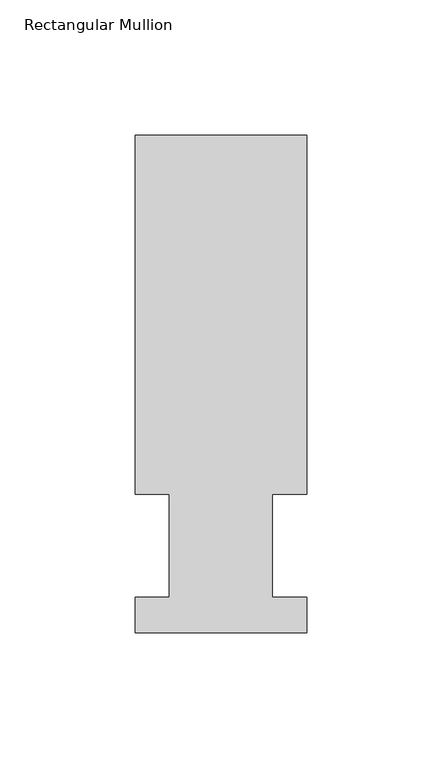
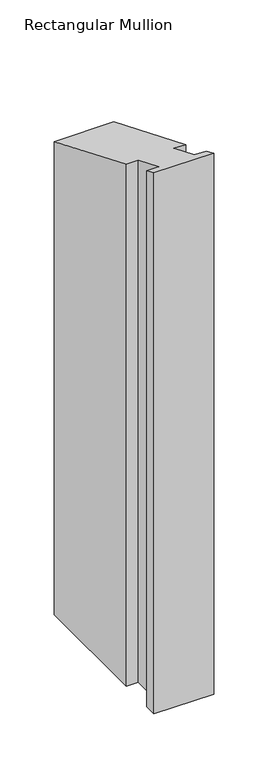
"""IFC4 building model written with IfcOpenShell, lengths in millimetres: member geometry, Rectangular Mullion."""

from ifc_helpers import new_model, si_unit, origin, place, context, project, spatial, faceted_brep, source, transform, mapped, element, save


def rectangular_mullion_988c7fde(model_context):
    return source(origin(), model_context, "Body", "Brep", [
        faceted_brep([(0.0, 184.2396937, -609.587333), (0.0, 51.2960938, -609.587333), (-12.6873001, 51.2960938, -609.587333), (-12.6873001, 13.1960938, -609.587333), (0.0, 13.1960938, -609.587333), (0.0, 0.0134938, -609.587333), (-63.5000001, 0.0134938, -609.587333), (-63.5000001, 13.1960938, -609.587333), (-50.8127001, 13.1960938, -609.587333), (-50.8127001, 51.2960938, -609.587333), (-63.5127, 51.2960938, -609.587333), (-63.5127, 184.2396938, -609.587333), (0.0, 184.2396937, -76.3145799), (0.0, 51.2960938, -21.2475377), (-12.6873001, 51.2960938, -21.2475377), (-12.6873001, 13.1960938, -5.466001), (0.0, 13.1960938, -5.466001), (0.0, 0.0134938, -0.0055893), (-63.5000001, 0.0134938, -0.0055893), (-63.5000001, 13.1960938, -5.466001), (-50.8127001, 13.1960938, -5.466001), (-50.8127001, 51.2960938, -21.2475377), (-63.5127, 51.2960938, -21.2475377), (-63.5127, 184.2396938, -76.3145799)], [[[0, 1, 2, 3, 4, 5, 6, 7, 8, 9, 10, 11]], [[12, 13, 1, 0]], [[13, 14, 2, 1]], [[14, 15, 3, 2]], [[15, 16, 4, 3]], [[16, 17, 5, 4]], [[17, 18, 6, 5]], [[18, 19, 7, 6]], [[19, 20, 8, 7]], [[20, 21, 9, 8]], [[21, 22, 10, 9]], [[22, 23, 11, 10]], [[23, 12, 0, 11]], [[12, 23, 22, 21, 20, 19, 18, 17, 16, 15, 14, 13]]]),
    ])


if __name__ == "__main__":
    model = new_model("IFC4")
    model_context = context("Model", 3, world=origin())
    ifc_project = project(units=[si_unit("LENGTHUNIT", "METRE", prefix="MILLI")], contexts=[model_context])
    site = spatial("IfcSite", under=ifc_project)
    building = spatial("IfcBuilding", under=site)
    placement = place(None, origin())
    rectangular_mullion_shape = rectangular_mullion_988c7fde(model_context)
    element("IfcMember", 1, ObjectType="Rectangular Mullion", at=placement, inside=building, context=model_context, shape_type="MappedRepresentation", body=[
        mapped(rectangular_mullion_shape, transform((0.0, 0.0, 0.0), x_axis=(1.0, 0.0, 0.0), y_axis=(0.0, 1.0, 0.0), z_axis=(0.0, 0.0, 1.0))),
    ])
    save(model, "model.ifc")
